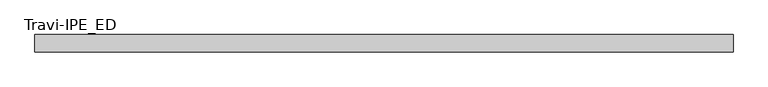
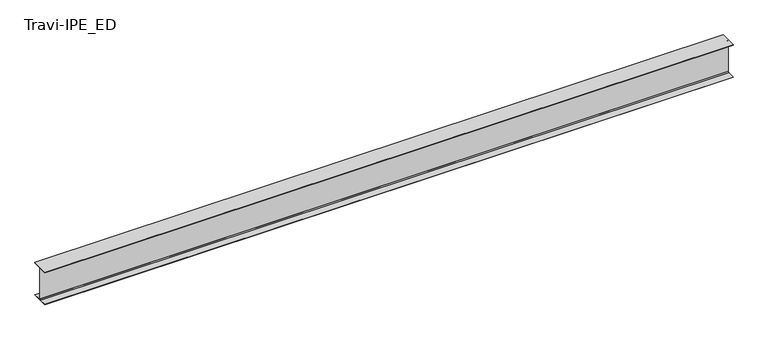
"""IFC4 building model written with IfcOpenShell, lengths in millimetres: beam geometry, Travi-IPE_ED."""

from ifc_helpers import new_model, si_unit, point, frame, frame_2d, origin, place, context, project, spatial, polyline, circle_curve, trimmed, segment, composite_curve, outline, extrude, source, transform, mapped, element, save


def travi_ipe_ed_da701cb8(model_context):
    return source(origin(), model_context, "Body", "SweptSolid", [
        extrude(outline(composite_curve([segment(polyline([(75.0, -147.0), (75.0, -150.0), (-75.0, -150.0), (-75.0, -147.0), (-8.5, -147.0)]), True, "CONTINUOUS"), segment(trimmed(circle_curve(frame_2d((-8.5, -140.0)), 7.0), [point((-8.5, -147.0))], [point((-1.5, -140.0))], True, "CARTESIAN"), True, "CONTINUOUS"), segment(polyline([(-1.5, -140.0), (-1.5, 140.0)]), True, "CONTINUOUS"), segment(trimmed(circle_curve(frame_2d((-8.5, 140.0)), 7.0), [point((-1.5, 140.0))], [point((-8.5, 147.0))], True, "CARTESIAN"), True, "CONTINUOUS"), segment(polyline([(-8.5, 147.0), (-75.0, 147.0), (-75.0, 150.0), (75.0, 150.0), (75.0, 147.0), (8.5, 147.0)]), True, "CONTINUOUS"), segment(trimmed(circle_curve(frame_2d((8.5, 140.0)), 7.0), [point((8.5, 147.0))], [point((1.5, 140.0))], True, "CARTESIAN"), True, "CONTINUOUS"), segment(polyline([(1.5, 140.0), (1.5, -140.0)]), True, "CONTINUOUS"), segment(trimmed(circle_curve(frame_2d((8.5, -140.0)), 7.0), [point((1.5, -140.0))], [point((8.5, -147.0))], True, "CARTESIAN"), True, "CONTINUOUS"), segment(polyline([(8.5, -147.0), (75.0, -147.0)]), True, "CONTINUOUS")], self_intersect=False)), frame((-3000.0, 0.0, 0.0), z_axis=(1.0, 0.0, 0.0), x_axis=(0.0, 1.0, 0.0)), (0.0, 0.0, 1.0), 6000.0),
    ])


if __name__ == "__main__":
    model = new_model("IFC4")
    model_context = context("Model", 3, world=origin())
    ifc_project = project(units=[si_unit("LENGTHUNIT", "METRE", prefix="MILLI")], contexts=[model_context])
    site = spatial("IfcSite", under=ifc_project)
    building = spatial("IfcBuilding", under=site)
    placement = place(None, origin())
    travi_ipe_ed_shape = travi_ipe_ed_da701cb8(model_context)
    element("IfcBeam", 1, ObjectType="Travi-IPE_ED", at=placement, inside=building, context=model_context, shape_type="MappedRepresentation", body=[
        mapped(travi_ipe_ed_shape, transform((0.0, 0.0, 0.0), x_axis=(1.0, 0.0, 0.0), y_axis=(0.0, 1.0, 0.0), z_axis=(0.0, 0.0, 1.0))),
    ])
    save(model, "model.ifc")
